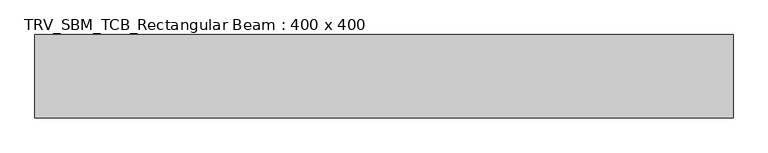
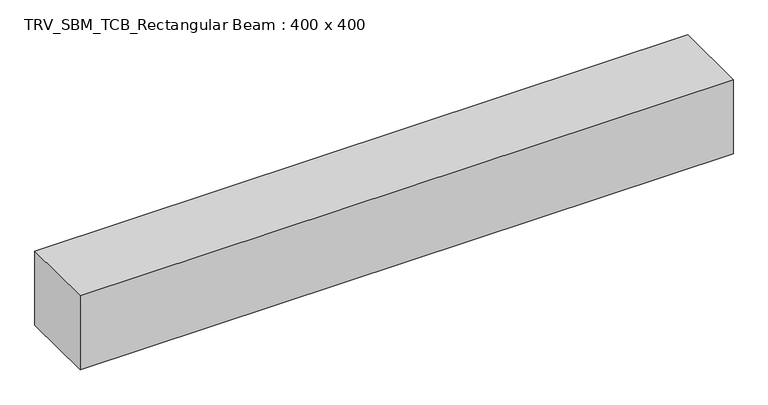
"""IFC4 building model written with IfcOpenShell, lengths in millimetres: beam geometry, TRV_SBM_TCB_Rectangular Beam : 400 x 400."""

from ifc_helpers import new_model, si_unit, frame, origin, place, context, project, spatial, polyline, outline, extrude, source, transform, mapped, element, save


def trv_sbm_tcb_rectangular_beam_400_x_400_fbe73f6f(model_context):
    return source(origin(), model_context, "Body", "SweptSolid", [
        extrude(outline(polyline([(1672.2, 200.0), (1672.2, -200.0), (-1672.2, -200.0), (-1672.2, 200.0), (1672.2, 200.0)])), frame((0.0, 0.0, -200.0), z_axis=(0.0, 0.0, 1.0), x_axis=(1.0, 0.0, 0.0)), (0.0, 0.0, 1.0), 400.0),
    ])


if __name__ == "__main__":
    model = new_model("IFC4")
    model_context = context("Model", 3, world=origin())
    ifc_project = project(units=[si_unit("LENGTHUNIT", "METRE", prefix="MILLI")], contexts=[model_context])
    site = spatial("IfcSite", under=ifc_project)
    building = spatial("IfcBuilding", under=site)
    placement = place(None, origin())
    trv_sbm_tcb_rectangular_beam_400_x_400_shape = trv_sbm_tcb_rectangular_beam_400_x_400_fbe73f6f(model_context)
    element("IfcBeam", 1, ObjectType="TRV_SBM_TCB_Rectangular Beam : 400 x 400", at=placement, inside=building, context=model_context, shape_type="MappedRepresentation", body=[
        mapped(trv_sbm_tcb_rectangular_beam_400_x_400_shape, transform((0.0, 0.0, 0.0), x_axis=(1.0, 0.0, 0.0), y_axis=(0.0, 1.0, 0.0), z_axis=(0.0, 0.0, 1.0))),
    ])
    save(model, "model.ifc")
